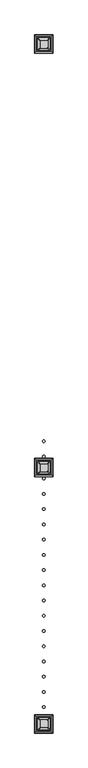
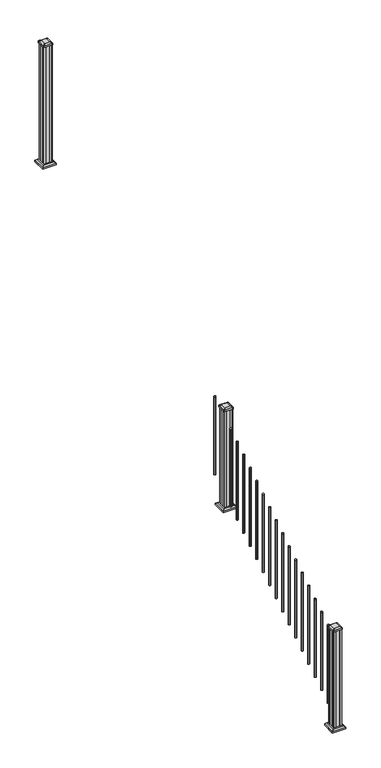
"""IFC4 building model written with IfcOpenShell, lengths in millimetres: railing geometry."""

from ifc_helpers import new_model, si_unit, point, frame, frame_2d, origin, place, context, project, spatial, polyline, circle_curve, trimmed, segment, composite_curve, outline, extrude, faceted_brep, source, transform, mapped, element, save
from ifc_brep_helpers import plane_surface, extruded_surface, advanced_brep


def railing_6e19abb1(model_context):
    return source(origin(), model_context, "Body", "SolidModel", [
        extrude(outline(composite_curve([segment(trimmed(circle_curve(frame_2d((7013.3942659, -14792.9319681)), 9.525), [point((7003.8692659, -14792.9319681))], [point((7013.3942659, -14783.4069681))], False, "CARTESIAN"), True, "CONTINUOUS"), segment(trimmed(circle_curve(frame_2d((7013.3942659, -14792.9319681)), 9.525), [point((7013.3942659, -14783.4069681))], [point((7022.9192659, -14792.9319681))], False, "CARTESIAN"), True, "CONTINUOUS"), segment(trimmed(circle_curve(frame_2d((7013.3942659, -14792.9319681)), 9.525), [point((7022.9192659, -14792.9319681))], [point((7013.3942659, -14802.4569681))], False, "CARTESIAN"), True, "CONTINUOUS"), segment(trimmed(circle_curve(frame_2d((7013.3942659, -14792.9319681)), 9.525), [point((7013.3942659, -14802.4569681))], [point((7003.8692659, -14792.9319681))], False, "CARTESIAN"), True, "CONTINUOUS")], self_intersect=False)), frame((0.0, 0.0, 1555.1505656), z_axis=(0.0, 0.0, 1.0), x_axis=(1.0, 0.0, 0.0)), (0.0, 0.0, 1.0), 812.8041219),
        extrude(outline(composite_curve([segment(trimmed(circle_curve(frame_2d((7013.3942659, -14904.0569681)), 9.525), [point((7003.8692659, -14904.0569681))], [point((7013.3942659, -14894.5319681))], False, "CARTESIAN"), True, "CONTINUOUS"), segment(trimmed(circle_curve(frame_2d((7013.3942659, -14904.0569681)), 9.525), [point((7013.3942659, -14894.5319681))], [point((7022.9192659, -14904.0569681))], False, "CARTESIAN"), True, "CONTINUOUS"), segment(trimmed(circle_curve(frame_2d((7013.3942659, -14904.0569681)), 9.525), [point((7022.9192659, -14904.0569681))], [point((7013.3942659, -14913.5819681))], False, "CARTESIAN"), True, "CONTINUOUS"), segment(trimmed(circle_curve(frame_2d((7013.3942659, -14904.0569681)), 9.525), [point((7013.3942659, -14913.5819681))], [point((7003.8692659, -14904.0569681))], False, "CARTESIAN"), True, "CONTINUOUS")], self_intersect=False)), frame((0.0, 0.0, 1485.6974406), z_axis=(0.0, 0.0, 1.0), x_axis=(1.0, 0.0, 0.0)), (0.0, 0.0, 1.0), 812.8041219),
        faceted_brep([(6960.8083284, -15037.6054056, 1362.075), (7065.9802034, -15037.6054056, 1362.075), (7065.9802034, -14932.4335306, 1362.075), (6960.8083284, -14932.4335306, 1362.075), (6946.7688753, -15051.6448587, 1348.74), (6946.7688753, -14918.3940775, 1348.74), (7080.0196565, -14918.3940775, 1348.74), (7080.0196565, -15051.6448587, 1348.74)], [[[0, 1, 2, 3]], [[4, 5, 6, 7]], [[4, 7, 1, 0]], [[7, 6, 2, 1]], [[6, 5, 3, 2]], [[5, 4, 0, 3]]]),
        extrude(outline(polyline([(6946.7688753, -15051.6448587), (6946.7688753, -14918.3940775), (7080.0196565, -14918.3940775), (7080.0196565, -15051.6448587), (6946.7688753, -15051.6448587)])), frame((0.0, 0.0, 1333.5), z_axis=(0.0, 0.0, 1.0), x_axis=(1.0, 0.0, 0.0)), (0.0, 0.0, 1.0), 15.24),
        advanced_brep(
        [(7039.1911409, -15013.9913431, 2393.439263), (7042.3661409, -15010.8163431, 2393.439263), (7042.3661409, -14959.2225931, 2393.439263), (7039.1911409, -14956.0475931, 2393.439263), (6987.5973909, -14956.0475931, 2393.439263), (6984.4223909, -14959.2225931, 2393.439263), (6984.4223909, -15010.8163431, 2393.439263), (6987.5973909, -15013.9913431, 2393.439263), (7055.4630159, -15030.2632181, 2382.136263), (6971.3255159, -15030.2632181, 2382.136263), (6968.1505159, -15027.0882181, 2382.136263), (6968.1505159, -14942.9507181, 2382.136263), (6971.3255159, -14939.7757181, 2382.136263), (7055.4630159, -14939.7757181, 2382.136263), (7058.6380159, -14942.9507181, 2382.136263), (7058.6380159, -15027.0882181, 2382.136263)],
        [
            (0, 1, circle_curve(frame((7039.1911409, -15010.8163431, 2393.439263), z_axis=(0.0, 0.0, 1.0), x_axis=(0.0, 1.0, 0.0)), 3.175)),
            (1, 2),
            (2, 3, circle_curve(frame((7039.1911409, -14959.2225931, 2393.439263), z_axis=(0.0, 0.0, 1.0), x_axis=(0.0, 1.0, 0.0)), 3.175)),
            (3, 4),
            (4, 5, circle_curve(frame((6987.5973909, -14959.2225931, 2393.439263), z_axis=(0.0, 0.0, 1.0), x_axis=(0.0, 1.0, 0.0)), 3.175)),
            (5, 6),
            (6, 7, circle_curve(frame((6987.5973909, -15010.8163431, 2393.439263), z_axis=(0.0, 0.0, 1.0), x_axis=(0.0, 1.0, 0.0)), 3.175)),
            (7, 0),
            (8, 9),
            (9, 10, circle_curve(frame((6971.3255159, -15027.0882181, 2382.136263), z_axis=(0.0, 0.0, -1.0), x_axis=(0.0, 1.0, 0.0)), 3.175)),
            (10, 11),
            (11, 12, circle_curve(frame((6971.3255159, -14942.9507181, 2382.136263), z_axis=(0.0, 0.0, -1.0), x_axis=(0.0, 1.0, 0.0)), 3.175)),
            (12, 13),
            (13, 14, circle_curve(frame((7055.4630159, -14942.9507181, 2382.136263), z_axis=(0.0, 0.0, -1.0), x_axis=(0.0, 1.0, 0.0)), 3.175)),
            (14, 15),
            (15, 8, circle_curve(frame((7055.4630159, -15027.0882181, 2382.136263), z_axis=(0.0, 0.0, -1.0), x_axis=(0.0, 1.0, 0.0)), 3.175)),
            (15, 1),
            (0, 8),
            (14, 2),
            (13, 3),
            (12, 4),
            (11, 5),
            (10, 6),
            (9, 7),
        ],
        [
            plane_surface(frame((7013.3942659, -14985.0194681, 2393.439263), z_axis=(0.0, 0.0, 1.0), x_axis=(1.0, 0.0, 0.0))),
            plane_surface(frame((7013.3942659, -14985.0194681, 2382.136263), z_axis=(0.0, 0.0, -1.0), x_axis=(1.0, 0.0, 0.0))),
            extruded_surface(trimmed(circle_curve(frame((7055.4630159, -15027.0882181, 2382.136263), z_axis=(0.0, 0.0, 1.0), x_axis=(0.0, 1.0, 0.0)), 3.175), [point((7055.4630159, -15030.2632181, 2382.136263))], [point((7058.6380159, -15027.0882181, 2382.136263))], True, "CARTESIAN"), (-16.271874999999454, 16.271875000000364, 11.303000000000338), 25.6379726388662),
            plane_surface(frame((7058.6380159, -14985.0194681, 2382.136263), z_axis=(0.5705009161540778, 0.0, 0.8212969649690408), x_axis=(0.0, 1.0, 0.0))),
            extruded_surface(trimmed(circle_curve(frame((7055.4630159, -14942.9507181, 2382.136263), z_axis=(0.0, 0.0, 1.0), x_axis=(0.0, 1.0, 0.0)), 3.175), [point((7058.6380159, -14942.9507181, 2382.136263))], [point((7055.4630159, -14939.7757181, 2382.136263))], True, "CARTESIAN"), (-16.271874999999454, -16.271874999998545, 11.303000000000338), 25.63797263886504),
            plane_surface(frame((7013.3942659, -14939.7757181, 2382.136263), z_axis=(0.0, 0.5705009161540291, 0.8212969649690747), x_axis=(-1.0, 0.0, 0.0))),
            extruded_surface(trimmed(circle_curve(frame((6971.3255159, -14942.9507181, 2382.136263), z_axis=(0.0, 0.0, 1.0), x_axis=(0.0, 1.0, 0.0)), 3.175), [point((6971.3255159, -14939.7757181, 2382.136263))], [point((6968.1505159, -14942.9507181, 2382.136263))], True, "CARTESIAN"), (16.271875000000364, -16.271874999998545, 11.303000000000338), 25.63797263886562),
            plane_surface(frame((6968.1505159, -14985.0194681, 2382.136263), z_axis=(-0.5705009161540142, 0.0, 0.8212969649690851), x_axis=(0.0, -1.0, 0.0))),
            extruded_surface(trimmed(circle_curve(frame((6971.3255159, -15027.0882181, 2382.136263), z_axis=(0.0, 0.0, 1.0), x_axis=(0.0, 1.0, 0.0)), 3.175), [point((6968.1505159, -15027.0882181, 2382.136263))], [point((6971.3255159, -15030.2632181, 2382.136263))], True, "CARTESIAN"), (16.271875000000364, 16.271875000000364, 11.303000000000338), 25.637972638866774),
            plane_surface(frame((7013.3942659, -15030.2632181, 2382.136263), z_axis=(0.0, -0.570500916154034, 0.8212969649690713), x_axis=(1.0, 0.0, 0.0))),
        ],
        [
            (0, [[1, 2, 3, 4, 5, 6, 7, 8]]),
            (1, [[9, 10, 11, 12, 13, 14, 15, 16]]),
            (2, [[-16, 17, -1, 18]]),
            (3, [[-15, 19, -2, -17]]),
            (4, [[-14, 20, -3, -19]]),
            (5, [[-13, 21, -4, -20]]),
            (6, [[-12, 22, -5, -21]]),
            (7, [[-11, 23, -6, -22]]),
            (8, [[-10, 24, -7, -23]]),
            (9, [[-9, -18, -8, -24]]),
        ],
    ),
        extrude(outline(composite_curve([segment(polyline([(7055.4630159, -15030.2632181), (6971.3255159, -15030.2632181)]), True, "CONTINUOUS"), segment(trimmed(circle_curve(frame_2d((6971.3255159, -15027.0882181)), 3.175), [point((6971.3255159, -15030.2632181))], [point((6968.1505159, -15027.0882181))], False, "CARTESIAN"), True, "CONTINUOUS"), segment(polyline([(6968.1505159, -15027.0882181), (6968.1505159, -14942.9507181)]), True, "CONTINUOUS"), segment(trimmed(circle_curve(frame_2d((6971.3255159, -14942.9507181)), 3.175), [point((6968.1505159, -14942.9507181))], [point((6971.3255159, -14939.7757181))], False, "CARTESIAN"), True, "CONTINUOUS"), segment(polyline([(6971.3255159, -14939.7757181), (7055.4630159, -14939.7757181)]), True, "CONTINUOUS"), segment(trimmed(circle_curve(frame_2d((7055.4630159, -14942.9507181)), 3.175), [point((7055.4630159, -14939.7757181))], [point((7058.6380159, -14942.9507181))], False, "CARTESIAN"), True, "CONTINUOUS"), segment(polyline([(7058.6380159, -14942.9507181), (7058.6380159, -15027.0882181)]), True, "CONTINUOUS"), segment(trimmed(circle_curve(frame_2d((7055.4630159, -15027.0882181)), 3.175), [point((7058.6380159, -15027.0882181))], [point((7055.4630159, -15030.2632181))], False, "CARTESIAN"), True, "CONTINUOUS")], self_intersect=False)), frame((0.0, 0.0, 2364.864263), z_axis=(0.0, 0.0, 1.0), x_axis=(1.0, 0.0, 0.0)), (0.0, 0.0, 1.0), 17.272),
        extrude(outline(polyline([(7053.0817659, -15026.2944681), (7033.4602659, -15026.2944681), (7032.6982659, -15024.7069681), (6994.0902659, -15024.7069681), (6993.3282659, -15026.2944681), (6973.7067659, -15026.2944681), (6972.1192659, -15024.7069681), (6972.1192659, -15005.0854681), (6973.7067659, -15004.3234681), (6973.7067659, -14965.7154681), (6972.1192659, -14964.9534681), (6972.1192659, -14945.3319681), (6973.7067659, -14943.7444681), (6993.3282659, -14943.7444681), (6994.0902659, -14945.3319681), (7032.6982659, -14945.3319681), (7033.4602659, -14943.7444681), (7053.0817659, -14943.7444681), (7054.6692659, -14945.3319681), (7054.6692659, -14964.9534681), (7053.0817659, -14965.7154681), (7053.0817659, -15004.3234681), (7054.6692659, -15005.0854681), (7054.6692659, -15024.7069681), (7053.0817659, -15026.2944681)])), frame((0.0, 0.0, 1333.5), z_axis=(0.0, 0.0, 1.0), x_axis=(1.0, 0.0, 0.0)), (0.0, 0.0, 1.0), 1031.364263),
        extrude(outline(composite_curve([segment(trimmed(circle_curve(frame_2d((7013.3942659, -15065.9819681)), 9.525), [point((7003.8692659, -15065.9819681))], [point((7013.3942659, -15056.4569681))], False, "CARTESIAN"), True, "CONTINUOUS"), segment(trimmed(circle_curve(frame_2d((7013.3942659, -15065.9819681)), 9.525), [point((7013.3942659, -15056.4569681))], [point((7022.9192659, -15065.9819681))], False, "CARTESIAN"), True, "CONTINUOUS"), segment(trimmed(circle_curve(frame_2d((7013.3942659, -15065.9819681)), 9.525), [point((7022.9192659, -15065.9819681))], [point((7013.3942659, -15075.5069681))], False, "CARTESIAN"), True, "CONTINUOUS"), segment(trimmed(circle_curve(frame_2d((7013.3942659, -15065.9819681)), 9.525), [point((7013.3942659, -15075.5069681))], [point((7003.8692659, -15065.9819681))], False, "CARTESIAN"), True, "CONTINUOUS")], self_intersect=False)), frame((0.0, 0.0, 1384.4943156), z_axis=(0.0, 0.0, 1.0), x_axis=(1.0, 0.0, 0.0)), (0.0, 0.0, 1.0), 812.8041219),
        extrude(outline(composite_curve([segment(trimmed(circle_curve(frame_2d((7013.3942659, -15177.1069681)), 9.525), [point((7003.8692659, -15177.1069681))], [point((7013.3942659, -15167.5819681))], False, "CARTESIAN"), True, "CONTINUOUS"), segment(trimmed(circle_curve(frame_2d((7013.3942659, -15177.1069681)), 9.525), [point((7013.3942659, -15167.5819681))], [point((7022.9192659, -15177.1069681))], False, "CARTESIAN"), True, "CONTINUOUS"), segment(trimmed(circle_curve(frame_2d((7013.3942659, -15177.1069681)), 9.525), [point((7022.9192659, -15177.1069681))], [point((7013.3942659, -15186.6319681))], False, "CARTESIAN"), True, "CONTINUOUS"), segment(trimmed(circle_curve(frame_2d((7013.3942659, -15177.1069681)), 9.525), [point((7013.3942659, -15186.6319681))], [point((7003.8692659, -15177.1069681))], False, "CARTESIAN"), True, "CONTINUOUS")], self_intersect=False)), frame((0.0, 0.0, 1315.0411906), z_axis=(0.0, 0.0, 1.0), x_axis=(1.0, 0.0, 0.0)), (0.0, 0.0, 1.0), 812.8041219),
        extrude(outline(composite_curve([segment(trimmed(circle_curve(frame_2d((7013.3942659, -15288.2319681)), 9.525), [point((7003.8692659, -15288.2319681))], [point((7013.3942659, -15278.7069681))], False, "CARTESIAN"), True, "CONTINUOUS"), segment(trimmed(circle_curve(frame_2d((7013.3942659, -15288.2319681)), 9.525), [point((7013.3942659, -15278.7069681))], [point((7022.9192659, -15288.2319681))], False, "CARTESIAN"), True, "CONTINUOUS"), segment(trimmed(circle_curve(frame_2d((7013.3942659, -15288.2319681)), 9.525), [point((7022.9192659, -15288.2319681))], [point((7013.3942659, -15297.7569681))], False, "CARTESIAN"), True, "CONTINUOUS"), segment(trimmed(circle_curve(frame_2d((7013.3942659, -15288.2319681)), 9.525), [point((7013.3942659, -15297.7569681))], [point((7003.8692659, -15288.2319681))], False, "CARTESIAN"), True, "CONTINUOUS")], self_intersect=False)), frame((0.0, 0.0, 1245.5880656), z_axis=(0.0, 0.0, 1.0), x_axis=(1.0, 0.0, 0.0)), (0.0, 0.0, 1.0), 812.8041219),
        extrude(outline(composite_curve([segment(trimmed(circle_curve(frame_2d((7013.3942659, -15399.3569681)), 9.525), [point((7003.8692659, -15399.3569681))], [point((7013.3942659, -15389.8319681))], False, "CARTESIAN"), True, "CONTINUOUS"), segment(trimmed(circle_curve(frame_2d((7013.3942659, -15399.3569681)), 9.525), [point((7013.3942659, -15389.8319681))], [point((7022.9192659, -15399.3569681))], False, "CARTESIAN"), True, "CONTINUOUS"), segment(trimmed(circle_curve(frame_2d((7013.3942659, -15399.3569681)), 9.525), [point((7022.9192659, -15399.3569681))], [point((7013.3942659, -15408.8819681))], False, "CARTESIAN"), True, "CONTINUOUS"), segment(trimmed(circle_curve(frame_2d((7013.3942659, -15399.3569681)), 9.525), [point((7013.3942659, -15408.8819681))], [point((7003.8692659, -15399.3569681))], False, "CARTESIAN"), True, "CONTINUOUS")], self_intersect=False)), frame((0.0, 0.0, 1176.1349406), z_axis=(0.0, 0.0, 1.0), x_axis=(1.0, 0.0, 0.0)), (0.0, 0.0, 1.0), 812.8041219),
        extrude(outline(composite_curve([segment(trimmed(circle_curve(frame_2d((7013.3942659, -15510.4819681)), 9.525), [point((7003.8692659, -15510.4819681))], [point((7013.3942659, -15500.9569681))], False, "CARTESIAN"), True, "CONTINUOUS"), segment(trimmed(circle_curve(frame_2d((7013.3942659, -15510.4819681)), 9.525), [point((7013.3942659, -15500.9569681))], [point((7022.9192659, -15510.4819681))], False, "CARTESIAN"), True, "CONTINUOUS"), segment(trimmed(circle_curve(frame_2d((7013.3942659, -15510.4819681)), 9.525), [point((7022.9192659, -15510.4819681))], [point((7013.3942659, -15520.0069681))], False, "CARTESIAN"), True, "CONTINUOUS"), segment(trimmed(circle_curve(frame_2d((7013.3942659, -15510.4819681)), 9.525), [point((7013.3942659, -15520.0069681))], [point((7003.8692659, -15510.4819681))], False, "CARTESIAN"), True, "CONTINUOUS")], self_intersect=False)), frame((0.0, 0.0, 1106.6818156), z_axis=(0.0, 0.0, 1.0), x_axis=(1.0, 0.0, 0.0)), (0.0, 0.0, 1.0), 812.8041219),
        extrude(outline(composite_curve([segment(trimmed(circle_curve(frame_2d((7013.3942659, -15621.6069681)), 9.525), [point((7003.8692659, -15621.6069681))], [point((7013.3942659, -15612.0819681))], False, "CARTESIAN"), True, "CONTINUOUS"), segment(trimmed(circle_curve(frame_2d((7013.3942659, -15621.6069681)), 9.525), [point((7013.3942659, -15612.0819681))], [point((7022.9192659, -15621.6069681))], False, "CARTESIAN"), True, "CONTINUOUS"), segment(trimmed(circle_curve(frame_2d((7013.3942659, -15621.6069681)), 9.525), [point((7022.9192659, -15621.6069681))], [point((7013.3942659, -15631.1319681))], False, "CARTESIAN"), True, "CONTINUOUS"), segment(trimmed(circle_curve(frame_2d((7013.3942659, -15621.6069681)), 9.525), [point((7013.3942659, -15631.1319681))], [point((7003.8692659, -15621.6069681))], False, "CARTESIAN"), True, "CONTINUOUS")], self_intersect=False)), frame((0.0, 0.0, 1037.2286906), z_axis=(0.0, 0.0, 1.0), x_axis=(1.0, 0.0, 0.0)), (0.0, 0.0, 1.0), 812.8041219),
        extrude(outline(composite_curve([segment(trimmed(circle_curve(frame_2d((7013.3942659, -15732.7319681)), 9.525), [point((7003.8692659, -15732.7319681))], [point((7013.3942659, -15723.2069681))], False, "CARTESIAN"), True, "CONTINUOUS"), segment(trimmed(circle_curve(frame_2d((7013.3942659, -15732.7319681)), 9.525), [point((7013.3942659, -15723.2069681))], [point((7022.9192659, -15732.7319681))], False, "CARTESIAN"), True, "CONTINUOUS"), segment(trimmed(circle_curve(frame_2d((7013.3942659, -15732.7319681)), 9.525), [point((7022.9192659, -15732.7319681))], [point((7013.3942659, -15742.2569681))], False, "CARTESIAN"), True, "CONTINUOUS"), segment(trimmed(circle_curve(frame_2d((7013.3942659, -15732.7319681)), 9.525), [point((7013.3942659, -15742.2569681))], [point((7003.8692659, -15732.7319681))], False, "CARTESIAN"), True, "CONTINUOUS")], self_intersect=False)), frame((0.0, 0.0, 967.7755656), z_axis=(0.0, 0.0, 1.0), x_axis=(1.0, 0.0, 0.0)), (0.0, 0.0, 1.0), 812.8041219),
        extrude(outline(composite_curve([segment(trimmed(circle_curve(frame_2d((7013.3942659, -15843.8569681)), 9.525), [point((7003.8692659, -15843.8569681))], [point((7013.3942659, -15834.3319681))], False, "CARTESIAN"), True, "CONTINUOUS"), segment(trimmed(circle_curve(frame_2d((7013.3942659, -15843.8569681)), 9.525), [point((7013.3942659, -15834.3319681))], [point((7022.9192659, -15843.8569681))], False, "CARTESIAN"), True, "CONTINUOUS"), segment(trimmed(circle_curve(frame_2d((7013.3942659, -15843.8569681)), 9.525), [point((7022.9192659, -15843.8569681))], [point((7013.3942659, -15853.3819681))], False, "CARTESIAN"), True, "CONTINUOUS"), segment(trimmed(circle_curve(frame_2d((7013.3942659, -15843.8569681)), 9.525), [point((7013.3942659, -15853.3819681))], [point((7003.8692659, -15843.8569681))], False, "CARTESIAN"), True, "CONTINUOUS")], self_intersect=False)), frame((0.0, 0.0, 898.3224406), z_axis=(0.0, 0.0, 1.0), x_axis=(1.0, 0.0, 0.0)), (0.0, 0.0, 1.0), 812.8041219),
        extrude(outline(composite_curve([segment(trimmed(circle_curve(frame_2d((7013.3942659, -15954.9819681)), 9.525), [point((7003.8692659, -15954.9819681))], [point((7013.3942659, -15945.4569681))], False, "CARTESIAN"), True, "CONTINUOUS"), segment(trimmed(circle_curve(frame_2d((7013.3942659, -15954.9819681)), 9.525), [point((7013.3942659, -15945.4569681))], [point((7022.9192659, -15954.9819681))], False, "CARTESIAN"), True, "CONTINUOUS"), segment(trimmed(circle_curve(frame_2d((7013.3942659, -15954.9819681)), 9.525), [point((7022.9192659, -15954.9819681))], [point((7013.3942659, -15964.5069681))], False, "CARTESIAN"), True, "CONTINUOUS"), segment(trimmed(circle_curve(frame_2d((7013.3942659, -15954.9819681)), 9.525), [point((7013.3942659, -15964.5069681))], [point((7003.8692659, -15954.9819681))], False, "CARTESIAN"), True, "CONTINUOUS")], self_intersect=False)), frame((0.0, 0.0, 828.8693156), z_axis=(0.0, 0.0, 1.0), x_axis=(1.0, 0.0, 0.0)), (0.0, 0.0, 1.0), 812.8041219),
        extrude(outline(composite_curve([segment(trimmed(circle_curve(frame_2d((7013.3942659, -16066.1069681)), 9.525), [point((7003.8692659, -16066.1069681))], [point((7013.3942659, -16056.5819681))], False, "CARTESIAN"), True, "CONTINUOUS"), segment(trimmed(circle_curve(frame_2d((7013.3942659, -16066.1069681)), 9.525), [point((7013.3942659, -16056.5819681))], [point((7022.9192659, -16066.1069681))], False, "CARTESIAN"), True, "CONTINUOUS"), segment(trimmed(circle_curve(frame_2d((7013.3942659, -16066.1069681)), 9.525), [point((7022.9192659, -16066.1069681))], [point((7013.3942659, -16075.6319681))], False, "CARTESIAN"), True, "CONTINUOUS"), segment(trimmed(circle_curve(frame_2d((7013.3942659, -16066.1069681)), 9.525), [point((7013.3942659, -16075.6319681))], [point((7003.8692659, -16066.1069681))], False, "CARTESIAN"), True, "CONTINUOUS")], self_intersect=False)), frame((0.0, 0.0, 759.4161906), z_axis=(0.0, 0.0, 1.0), x_axis=(1.0, 0.0, 0.0)), (0.0, 0.0, 1.0), 812.8041219),
        extrude(outline(composite_curve([segment(trimmed(circle_curve(frame_2d((7013.3942659, -16177.2319681)), 9.525), [point((7003.8692659, -16177.2319681))], [point((7013.3942659, -16167.7069681))], False, "CARTESIAN"), True, "CONTINUOUS"), segment(trimmed(circle_curve(frame_2d((7013.3942659, -16177.2319681)), 9.525), [point((7013.3942659, -16167.7069681))], [point((7022.9192659, -16177.2319681))], False, "CARTESIAN"), True, "CONTINUOUS"), segment(trimmed(circle_curve(frame_2d((7013.3942659, -16177.2319681)), 9.525), [point((7022.9192659, -16177.2319681))], [point((7013.3942659, -16186.7569681))], False, "CARTESIAN"), True, "CONTINUOUS"), segment(trimmed(circle_curve(frame_2d((7013.3942659, -16177.2319681)), 9.525), [point((7013.3942659, -16186.7569681))], [point((7003.8692659, -16177.2319681))], False, "CARTESIAN"), True, "CONTINUOUS")], self_intersect=False)), frame((0.0, 0.0, 689.9630656), z_axis=(0.0, 0.0, 1.0), x_axis=(1.0, 0.0, 0.0)), (0.0, 0.0, 1.0), 812.8041219),
        extrude(outline(composite_curve([segment(trimmed(circle_curve(frame_2d((7013.3942659, -16288.3569681)), 9.525), [point((7003.8692659, -16288.3569681))], [point((7013.3942659, -16278.8319681))], False, "CARTESIAN"), True, "CONTINUOUS"), segment(trimmed(circle_curve(frame_2d((7013.3942659, -16288.3569681)), 9.525), [point((7013.3942659, -16278.8319681))], [point((7022.9192659, -16288.3569681))], False, "CARTESIAN"), True, "CONTINUOUS"), segment(trimmed(circle_curve(frame_2d((7013.3942659, -16288.3569681)), 9.525), [point((7022.9192659, -16288.3569681))], [point((7013.3942659, -16297.8819681))], False, "CARTESIAN"), True, "CONTINUOUS"), segment(trimmed(circle_curve(frame_2d((7013.3942659, -16288.3569681)), 9.525), [point((7013.3942659, -16297.8819681))], [point((7003.8692659, -16288.3569681))], False, "CARTESIAN"), True, "CONTINUOUS")], self_intersect=False)), frame((0.0, 0.0, 620.5099406), z_axis=(0.0, 0.0, 1.0), x_axis=(1.0, 0.0, 0.0)), (0.0, 0.0, 1.0), 812.8041219),
        extrude(outline(composite_curve([segment(trimmed(circle_curve(frame_2d((7013.3942659, -16399.4819681)), 9.525), [point((7003.8692659, -16399.4819681))], [point((7013.3942659, -16389.9569681))], False, "CARTESIAN"), True, "CONTINUOUS"), segment(trimmed(circle_curve(frame_2d((7013.3942659, -16399.4819681)), 9.525), [point((7013.3942659, -16389.9569681))], [point((7022.9192659, -16399.4819681))], False, "CARTESIAN"), True, "CONTINUOUS"), segment(trimmed(circle_curve(frame_2d((7013.3942659, -16399.4819681)), 9.525), [point((7022.9192659, -16399.4819681))], [point((7013.3942659, -16409.0069681))], False, "CARTESIAN"), True, "CONTINUOUS"), segment(trimmed(circle_curve(frame_2d((7013.3942659, -16399.4819681)), 9.525), [point((7013.3942659, -16409.0069681))], [point((7003.8692659, -16399.4819681))], False, "CARTESIAN"), True, "CONTINUOUS")], self_intersect=False)), frame((0.0, 0.0, 551.0568156), z_axis=(0.0, 0.0, 1.0), x_axis=(1.0, 0.0, 0.0)), (0.0, 0.0, 1.0), 812.8041219),
        extrude(outline(composite_curve([segment(trimmed(circle_curve(frame_2d((7013.3942659, -16510.6069681)), 9.525), [point((7003.8692659, -16510.6069681))], [point((7013.3942659, -16501.0819681))], False, "CARTESIAN"), True, "CONTINUOUS"), segment(trimmed(circle_curve(frame_2d((7013.3942659, -16510.6069681)), 9.525), [point((7013.3942659, -16501.0819681))], [point((7022.9192659, -16510.6069681))], False, "CARTESIAN"), True, "CONTINUOUS"), segment(trimmed(circle_curve(frame_2d((7013.3942659, -16510.6069681)), 9.525), [point((7022.9192659, -16510.6069681))], [point((7013.3942659, -16520.1319681))], False, "CARTESIAN"), True, "CONTINUOUS"), segment(trimmed(circle_curve(frame_2d((7013.3942659, -16510.6069681)), 9.525), [point((7013.3942659, -16520.1319681))], [point((7003.8692659, -16510.6069681))], False, "CARTESIAN"), True, "CONTINUOUS")], self_intersect=False)), frame((0.0, 0.0, 481.6036906), z_axis=(0.0, 0.0, 1.0), x_axis=(1.0, 0.0, 0.0)), (0.0, 0.0, 1.0), 812.8041219),
        extrude(outline(composite_curve([segment(trimmed(circle_curve(frame_2d((7013.3942659, -16621.7319681)), 9.525), [point((7003.8692659, -16621.7319681))], [point((7013.3942659, -16612.2069681))], False, "CARTESIAN"), True, "CONTINUOUS"), segment(trimmed(circle_curve(frame_2d((7013.3942659, -16621.7319681)), 9.525), [point((7013.3942659, -16612.2069681))], [point((7022.9192659, -16621.7319681))], False, "CARTESIAN"), True, "CONTINUOUS"), segment(trimmed(circle_curve(frame_2d((7013.3942659, -16621.7319681)), 9.525), [point((7022.9192659, -16621.7319681))], [point((7013.3942659, -16631.2569681))], False, "CARTESIAN"), True, "CONTINUOUS"), segment(trimmed(circle_curve(frame_2d((7013.3942659, -16621.7319681)), 9.525), [point((7013.3942659, -16631.2569681))], [point((7003.8692659, -16621.7319681))], False, "CARTESIAN"), True, "CONTINUOUS")], self_intersect=False)), frame((0.0, 0.0, 412.1505656), z_axis=(0.0, 0.0, 1.0), x_axis=(1.0, 0.0, 0.0)), (0.0, 0.0, 1.0), 812.8041219),
        extrude(outline(composite_curve([segment(trimmed(circle_curve(frame_2d((7013.3942659, -16732.8569681)), 9.525), [point((7003.8692659, -16732.8569681))], [point((7013.3942659, -16723.3319681))], False, "CARTESIAN"), True, "CONTINUOUS"), segment(trimmed(circle_curve(frame_2d((7013.3942659, -16732.8569681)), 9.525), [point((7013.3942659, -16723.3319681))], [point((7022.9192659, -16732.8569681))], False, "CARTESIAN"), True, "CONTINUOUS"), segment(trimmed(circle_curve(frame_2d((7013.3942659, -16732.8569681)), 9.525), [point((7022.9192659, -16732.8569681))], [point((7013.3942659, -16742.3819681))], False, "CARTESIAN"), True, "CONTINUOUS"), segment(trimmed(circle_curve(frame_2d((7013.3942659, -16732.8569681)), 9.525), [point((7013.3942659, -16742.3819681))], [point((7003.8692659, -16732.8569681))], False, "CARTESIAN"), True, "CONTINUOUS")], self_intersect=False)), frame((0.0, 0.0, 342.6974406), z_axis=(0.0, 0.0, 1.0), x_axis=(1.0, 0.0, 0.0)), (0.0, 0.0, 1.0), 812.8041219),
        extrude(outline(polyline([(7053.0817659, -11937.0194681), (7033.4602659, -11937.0194681), (7032.6982659, -11935.4319681), (6994.0902659, -11935.4319681), (6993.3282659, -11937.0194681), (6973.7067659, -11937.0194681), (6972.1192659, -11935.4319681), (6972.1192659, -11915.8104681), (6973.7067659, -11915.0484681), (6973.7067659, -11876.4404681), (6972.1192659, -11875.6784681), (6972.1192659, -11856.0569681), (6973.7067659, -11854.4694681), (6993.3282659, -11854.4694681), (6994.0902659, -11856.0569681), (7032.6982659, -11856.0569681), (7033.4602659, -11854.4694681), (7053.0817659, -11854.4694681), (7054.6692659, -11856.0569681), (7054.6692659, -11875.6784681), (7053.0817659, -11876.4404681), (7053.0817659, -11915.0484681), (7054.6692659, -11915.8104681), (7054.6692659, -11935.4319681), (7053.0817659, -11937.0194681)])), frame((0.0, 0.0, 3048.0), z_axis=(0.0, 0.0, 1.0), x_axis=(1.0, 0.0, 0.0)), (0.0, 0.0, 1.0), 1247.661138),
        faceted_brep([(6960.8083284, -11948.3304056, 3076.575), (7065.9802034, -11948.3304056, 3076.575), (7065.9802034, -11843.1585306, 3076.575), (6960.8083284, -11843.1585306, 3076.575), (6946.7688753, -11962.3698587, 3063.24), (6946.7688753, -11829.1190775, 3063.24), (7080.0196565, -11829.1190775, 3063.24), (7080.0196565, -11962.3698587, 3063.24)], [[[0, 1, 2, 3]], [[4, 5, 6, 7]], [[4, 7, 1, 0]], [[7, 6, 2, 1]], [[6, 5, 3, 2]], [[5, 4, 0, 3]]]),
        extrude(outline(polyline([(6946.7688753, -11962.3698587), (6946.7688753, -11829.1190775), (7080.0196565, -11829.1190775), (7080.0196565, -11962.3698587), (6946.7688753, -11962.3698587)])), frame((0.0, 0.0, 3048.0), z_axis=(0.0, 0.0, 1.0), x_axis=(1.0, 0.0, 0.0)), (0.0, 0.0, 1.0), 15.24),
        advanced_brep(
        [(7039.1911409, -11924.7163431, 4324.236138), (7042.3661409, -11921.5413431, 4324.236138), (7042.3661409, -11869.9475931, 4324.236138), (7039.1911409, -11866.7725931, 4324.236138), (6987.5973909, -11866.7725931, 4324.236138), (6984.4223909, -11869.9475931, 4324.236138), (6984.4223909, -11921.5413431, 4324.236138), (6987.5973909, -11924.7163431, 4324.236138), (7055.4630159, -11940.9882181, 4312.933138), (6971.3255159, -11940.9882181, 4312.933138), (6968.1505159, -11937.8132181, 4312.933138), (6968.1505159, -11853.6757181, 4312.933138), (6971.3255159, -11850.5007181, 4312.933138), (7055.4630159, -11850.5007181, 4312.933138), (7058.6380159, -11853.6757181, 4312.933138), (7058.6380159, -11937.8132181, 4312.933138)],
        [
            (0, 1, circle_curve(frame((7039.1911409, -11921.5413431, 4324.236138), z_axis=(0.0, 0.0, 1.0), x_axis=(0.0, 1.0, 0.0)), 3.175)),
            (1, 2),
            (2, 3, circle_curve(frame((7039.1911409, -11869.9475931, 4324.236138), z_axis=(0.0, 0.0, 1.0), x_axis=(0.0, 1.0, 0.0)), 3.175)),
            (3, 4),
            (4, 5, circle_curve(frame((6987.5973909, -11869.9475931, 4324.236138), z_axis=(0.0, 0.0, 1.0), x_axis=(0.0, 1.0, 0.0)), 3.175)),
            (5, 6),
            (6, 7, circle_curve(frame((6987.5973909, -11921.5413431, 4324.236138), z_axis=(0.0, 0.0, 1.0), x_axis=(0.0, 1.0, 0.0)), 3.175)),
            (7, 0),
            (8, 9),
            (9, 10, circle_curve(frame((6971.3255159, -11937.8132181, 4312.933138), z_axis=(0.0, 0.0, -1.0), x_axis=(0.0, 1.0, 0.0)), 3.175)),
            (10, 11),
            (11, 12, circle_curve(frame((6971.3255159, -11853.6757181, 4312.933138), z_axis=(0.0, 0.0, -1.0), x_axis=(0.0, 1.0, 0.0)), 3.175)),
            (12, 13),
            (13, 14, circle_curve(frame((7055.4630159, -11853.6757181, 4312.933138), z_axis=(0.0, 0.0, -1.0), x_axis=(0.0, 1.0, 0.0)), 3.175)),
            (14, 15),
            (15, 8, circle_curve(frame((7055.4630159, -11937.8132181, 4312.933138), z_axis=(0.0, 0.0, -1.0), x_axis=(0.0, 1.0, 0.0)), 3.175)),
            (15, 1),
            (0, 8),
            (14, 2),
            (13, 3),
            (12, 4),
            (11, 5),
            (10, 6),
            (9, 7),
        ],
        [
            plane_surface(frame((7013.3942659, -11895.7444681, 4324.236138), z_axis=(0.0, 0.0, 1.0), x_axis=(1.0, 0.0, 0.0))),
            plane_surface(frame((7013.3942659, -11895.7444681, 4312.933138), z_axis=(0.0, 0.0, -1.0), x_axis=(1.0, 0.0, 0.0))),
            extruded_surface(trimmed(circle_curve(frame((7055.4630159, -11937.8132181, 4312.933138), z_axis=(0.0, 0.0, 1.0), x_axis=(0.0, 1.0, 0.0)), 3.175), [point((7055.4630159, -11940.9882181, 4312.933138))], [point((7058.6380159, -11937.8132181, 4312.933138))], True, "CARTESIAN"), (-16.271874999999454, 16.271875000000364, 11.302999999999884), 25.637972638865996),
            plane_surface(frame((7058.6380159, -11895.7444681, 4312.933138), z_axis=(0.5705009161540687, 0.0, 0.8212969649690472), x_axis=(0.0, 1.0, 0.0))),
            extruded_surface(trimmed(circle_curve(frame((7055.4630159, -11853.6757181, 4312.933138), z_axis=(0.0, 0.0, 1.0), x_axis=(0.0, 1.0, 0.0)), 3.175), [point((7058.6380159, -11853.6757181, 4312.933138))], [point((7055.4630159, -11850.5007181, 4312.933138))], True, "CARTESIAN"), (-16.271874999999454, -16.271875000000364, 11.302999999999884), 25.637972638865996),
            plane_surface(frame((7013.3942659, -11850.5007181, 4312.933138), z_axis=(0.0, 0.5705009161540291, 0.8212969649690747), x_axis=(-1.0, 0.0, 0.0))),
            extruded_surface(trimmed(circle_curve(frame((6971.3255159, -11853.6757181, 4312.933138), z_axis=(0.0, 0.0, 1.0), x_axis=(0.0, 1.0, 0.0)), 3.175), [point((6971.3255159, -11850.5007181, 4312.933138))], [point((6968.1505159, -11853.6757181, 4312.933138))], True, "CARTESIAN"), (16.271875000000364, -16.271875000000364, 11.302999999999884), 25.63797263886657),
            plane_surface(frame((6968.1505159, -11895.7444681, 4312.933138), z_axis=(-0.5705009161540233, 0.0, 0.8212969649690787), x_axis=(0.0, -1.0, 0.0))),
            extruded_surface(trimmed(circle_curve(frame((6971.3255159, -11937.8132181, 4312.933138), z_axis=(0.0, 0.0, 1.0), x_axis=(0.0, 1.0, 0.0)), 3.175), [point((6968.1505159, -11937.8132181, 4312.933138))], [point((6971.3255159, -11940.9882181, 4312.933138))], True, "CARTESIAN"), (16.271875000000364, 16.271875000000364, 11.302999999999884), 25.63797263886657),
            plane_surface(frame((7013.3942659, -11940.9882181, 4312.933138), z_axis=(0.0, -0.570500916154034, 0.8212969649690713), x_axis=(1.0, 0.0, 0.0))),
        ],
        [
            (0, [[1, 2, 3, 4, 5, 6, 7, 8]]),
            (1, [[9, 10, 11, 12, 13, 14, 15, 16]]),
            (2, [[-16, 17, -1, 18]]),
            (3, [[-15, 19, -2, -17]]),
            (4, [[-14, 20, -3, -19]]),
            (5, [[-13, 21, -4, -20]]),
            (6, [[-12, 22, -5, -21]]),
            (7, [[-11, 23, -6, -22]]),
            (8, [[-10, 24, -7, -23]]),
            (9, [[-9, -18, -8, -24]]),
        ],
    ),
        extrude(outline(composite_curve([segment(polyline([(7055.4630159, -11940.9882181), (6971.3255159, -11940.9882181)]), True, "CONTINUOUS"), segment(trimmed(circle_curve(frame_2d((6971.3255159, -11937.8132181)), 3.175), [point((6971.3255159, -11940.9882181))], [point((6968.1505159, -11937.8132181))], False, "CARTESIAN"), True, "CONTINUOUS"), segment(polyline([(6968.1505159, -11937.8132181), (6968.1505159, -11853.6757181)]), True, "CONTINUOUS"), segment(trimmed(circle_curve(frame_2d((6971.3255159, -11853.6757181)), 3.175), [point((6968.1505159, -11853.6757181))], [point((6971.3255159, -11850.5007181))], False, "CARTESIAN"), True, "CONTINUOUS"), segment(polyline([(6971.3255159, -11850.5007181), (7055.4630159, -11850.5007181)]), True, "CONTINUOUS"), segment(trimmed(circle_curve(frame_2d((7055.4630159, -11853.6757181)), 3.175), [point((7055.4630159, -11850.5007181))], [point((7058.6380159, -11853.6757181))], False, "CARTESIAN"), True, "CONTINUOUS"), segment(polyline([(7058.6380159, -11853.6757181), (7058.6380159, -11937.8132181)]), True, "CONTINUOUS"), segment(trimmed(circle_curve(frame_2d((7055.4630159, -11937.8132181)), 3.175), [point((7058.6380159, -11937.8132181))], [point((7055.4630159, -11940.9882181))], False, "CARTESIAN"), True, "CONTINUOUS")], self_intersect=False)), frame((0.0, 0.0, 4295.661138), z_axis=(0.0, 0.0, 1.0), x_axis=(1.0, 0.0, 0.0)), (0.0, 0.0, 1.0), 17.272),
        faceted_brep([(6960.8083284, -16907.6804056, 193.278125), (7065.9802034, -16907.6804056, 193.278125), (7065.9802034, -16802.5085306, 193.278125), (6960.8083284, -16802.5085306, 193.278125), (6946.7688753, -16921.7198587, 179.943125), (6946.7688753, -16788.4690775, 179.943125), (7080.0196565, -16788.4690775, 179.943125), (7080.0196565, -16921.7198587, 179.943125)], [[[0, 1, 2, 3]], [[4, 5, 6, 7]], [[4, 7, 1, 0]], [[7, 6, 2, 1]], [[6, 5, 3, 2]], [[5, 4, 0, 3]]]),
        extrude(outline(polyline([(6946.7688753, -16921.7198587), (6946.7688753, -16788.4690775), (7080.0196565, -16788.4690775), (7080.0196565, -16921.7198587), (6946.7688753, -16921.7198587)])), frame((0.0, 0.0, 164.703125), z_axis=(0.0, 0.0, 1.0), x_axis=(1.0, 0.0, 0.0)), (0.0, 0.0, 1.0), 15.24),
        advanced_brep(
        [(7039.1911409, -16884.0663431, 1224.642388), (7042.3661409, -16880.8913431, 1224.642388), (7042.3661409, -16829.2975931, 1224.642388), (7039.1911409, -16826.1225931, 1224.642388), (6987.5973909, -16826.1225931, 1224.642388), (6984.4223909, -16829.2975931, 1224.642388), (6984.4223909, -16880.8913431, 1224.642388), (6987.5973909, -16884.0663431, 1224.642388), (7055.4630159, -16900.3382181, 1213.339388), (6971.3255159, -16900.3382181, 1213.339388), (6968.1505159, -16897.1632181, 1213.339388), (6968.1505159, -16813.0257181, 1213.339388), (6971.3255159, -16809.8507181, 1213.339388), (7055.4630159, -16809.8507181, 1213.339388), (7058.6380159, -16813.0257181, 1213.339388), (7058.6380159, -16897.1632181, 1213.339388)],
        [
            (0, 1, circle_curve(frame((7039.1911409, -16880.8913431, 1224.642388), z_axis=(0.0, 0.0, 1.0), x_axis=(0.0, 1.0, 0.0)), 3.175)),
            (1, 2),
            (2, 3, circle_curve(frame((7039.1911409, -16829.2975931, 1224.642388), z_axis=(0.0, 0.0, 1.0), x_axis=(0.0, 1.0, 0.0)), 3.175)),
            (3, 4),
            (4, 5, circle_curve(frame((6987.5973909, -16829.2975931, 1224.642388), z_axis=(0.0, 0.0, 1.0), x_axis=(0.0, 1.0, 0.0)), 3.175)),
            (5, 6),
            (6, 7, circle_curve(frame((6987.5973909, -16880.8913431, 1224.642388), z_axis=(0.0, 0.0, 1.0), x_axis=(0.0, 1.0, 0.0)), 3.175)),
            (7, 0),
            (8, 9),
            (9, 10, circle_curve(frame((6971.3255159, -16897.1632181, 1213.339388), z_axis=(0.0, 0.0, -1.0), x_axis=(0.0, 1.0, 0.0)), 3.175)),
            (10, 11),
            (11, 12, circle_curve(frame((6971.3255159, -16813.0257181, 1213.339388), z_axis=(0.0, 0.0, -1.0), x_axis=(0.0, 1.0, 0.0)), 3.175)),
            (12, 13),
            (13, 14, circle_curve(frame((7055.4630159, -16813.0257181, 1213.339388), z_axis=(0.0, 0.0, -1.0), x_axis=(0.0, 1.0, 0.0)), 3.175)),
            (14, 15),
            (15, 8, circle_curve(frame((7055.4630159, -16897.1632181, 1213.339388), z_axis=(0.0, 0.0, -1.0), x_axis=(0.0, 1.0, 0.0)), 3.175)),
            (15, 1),
            (0, 8),
            (14, 2),
            (13, 3),
            (12, 4),
            (11, 5),
            (10, 6),
            (9, 7),
        ],
        [
            plane_surface(frame((7013.3942659, -16855.0944681, 1224.642388), z_axis=(0.0, 0.0, 1.0), x_axis=(1.0, 0.0, 0.0))),
            plane_surface(frame((7013.3942659, -16855.0944681, 1213.339388), z_axis=(0.0, 0.0, -1.0), x_axis=(1.0, 0.0, 0.0))),
            extruded_surface(trimmed(circle_curve(frame((7055.4630159, -16897.1632181, 1213.339388), z_axis=(0.0, 0.0, 1.0), x_axis=(0.0, 1.0, 0.0)), 3.175), [point((7055.4630159, -16900.3382181, 1213.339388))], [point((7058.6380159, -16897.1632181, 1213.339388))], True, "CARTESIAN"), (-16.271874999999454, 16.271874999998545, 11.302999999999884), 25.63797263886484),
            plane_surface(frame((7058.6380159, -16855.0944681, 1213.339388), z_axis=(0.5705009161540778, 0.0, 0.8212969649690408), x_axis=(0.0, 1.0, 0.0))),
            extruded_surface(trimmed(circle_curve(frame((7055.4630159, -16813.0257181, 1213.339388), z_axis=(0.0, 0.0, 1.0), x_axis=(0.0, 1.0, 0.0)), 3.175), [point((7058.6380159, -16813.0257181, 1213.339388))], [point((7055.4630159, -16809.8507181, 1213.339388))], True, "CARTESIAN"), (-16.271874999999454, -16.271874999998545, 11.302999999999884), 25.63797263886484),
            plane_surface(frame((7013.3942659, -16809.8507181, 1213.339388), z_axis=(0.0, 0.5705009161540291, 0.8212969649690747), x_axis=(-1.0, 0.0, 0.0))),
            extruded_surface(trimmed(circle_curve(frame((6971.3255159, -16813.0257181, 1213.339388), z_axis=(0.0, 0.0, 1.0), x_axis=(0.0, 1.0, 0.0)), 3.175), [point((6971.3255159, -16809.8507181, 1213.339388))], [point((6968.1505159, -16813.0257181, 1213.339388))], True, "CARTESIAN"), (16.271875000000364, -16.271874999998545, 11.302999999999884), 25.63797263886542),
            plane_surface(frame((6968.1505159, -16855.0944681, 1213.339388), z_axis=(-0.5705009161540142, 0.0, 0.8212969649690851), x_axis=(0.0, -1.0, 0.0))),
            extruded_surface(trimmed(circle_curve(frame((6971.3255159, -16897.1632181, 1213.339388), z_axis=(0.0, 0.0, 1.0), x_axis=(0.0, 1.0, 0.0)), 3.175), [point((6968.1505159, -16897.1632181, 1213.339388))], [point((6971.3255159, -16900.3382181, 1213.339388))], True, "CARTESIAN"), (16.271875000000364, 16.271874999998545, 11.302999999999884), 25.63797263886542),
            plane_surface(frame((7013.3942659, -16900.3382181, 1213.339388), z_axis=(0.0, -0.570500916154034, 0.8212969649690713), x_axis=(1.0, 0.0, 0.0))),
        ],
        [
            (0, [[1, 2, 3, 4, 5, 6, 7, 8]]),
            (1, [[9, 10, 11, 12, 13, 14, 15, 16]]),
            (2, [[-16, 17, -1, 18]]),
            (3, [[-15, 19, -2, -17]]),
            (4, [[-14, 20, -3, -19]]),
            (5, [[-13, 21, -4, -20]]),
            (6, [[-12, 22, -5, -21]]),
            (7, [[-11, 23, -6, -22]]),
            (8, [[-10, 24, -7, -23]]),
            (9, [[-9, -18, -8, -24]]),
        ],
    ),
        extrude(outline(composite_curve([segment(polyline([(7055.4630159, -16900.3382181), (6971.3255159, -16900.3382181)]), True, "CONTINUOUS"), segment(trimmed(circle_curve(frame_2d((6971.3255159, -16897.1632181)), 3.175), [point((6971.3255159, -16900.3382181))], [point((6968.1505159, -16897.1632181))], False, "CARTESIAN"), True, "CONTINUOUS"), segment(polyline([(6968.1505159, -16897.1632181), (6968.1505159, -16813.0257181)]), True, "CONTINUOUS"), segment(trimmed(circle_curve(frame_2d((6971.3255159, -16813.0257181)), 3.175), [point((6968.1505159, -16813.0257181))], [point((6971.3255159, -16809.8507181))], False, "CARTESIAN"), True, "CONTINUOUS"), segment(polyline([(6971.3255159, -16809.8507181), (7055.4630159, -16809.8507181)]), True, "CONTINUOUS"), segment(trimmed(circle_curve(frame_2d((7055.4630159, -16813.0257181)), 3.175), [point((7055.4630159, -16809.8507181))], [point((7058.6380159, -16813.0257181))], False, "CARTESIAN"), True, "CONTINUOUS"), segment(polyline([(7058.6380159, -16813.0257181), (7058.6380159, -16897.1632181)]), True, "CONTINUOUS"), segment(trimmed(circle_curve(frame_2d((7055.4630159, -16897.1632181)), 3.175), [point((7058.6380159, -16897.1632181))], [point((7055.4630159, -16900.3382181))], False, "CARTESIAN"), True, "CONTINUOUS")], self_intersect=False)), frame((0.0, 0.0, 1196.067388), z_axis=(0.0, 0.0, 1.0), x_axis=(1.0, 0.0, 0.0)), (0.0, 0.0, 1.0), 17.272),
        extrude(outline(polyline([(7053.0817659, -16896.3694681), (7033.4602659, -16896.3694681), (7032.6982659, -16894.7819681), (6994.0902659, -16894.7819681), (6993.3282659, -16896.3694681), (6973.7067659, -16896.3694681), (6972.1192659, -16894.7819681), (6972.1192659, -16875.1604681), (6973.7067659, -16874.3984681), (6973.7067659, -16835.7904681), (6972.1192659, -16835.0284681), (6972.1192659, -16815.4069681), (6973.7067659, -16813.8194681), (6993.3282659, -16813.8194681), (6994.0902659, -16815.4069681), (7032.6982659, -16815.4069681), (7033.4602659, -16813.8194681), (7053.0817659, -16813.8194681), (7054.6692659, -16815.4069681), (7054.6692659, -16835.0284681), (7053.0817659, -16835.7904681), (7053.0817659, -16874.3984681), (7054.6692659, -16875.1604681), (7054.6692659, -16894.7819681), (7053.0817659, -16896.3694681)])), frame((0.0, 0.0, 164.703125), z_axis=(0.0, 0.0, 1.0), x_axis=(1.0, 0.0, 0.0)), (0.0, 0.0, 1.0), 1031.364263),
    ])


if __name__ == "__main__":
    model = new_model("IFC4")
    model_context = context("Model", 3, world=origin())
    ifc_project = project(units=[si_unit("LENGTHUNIT", "METRE", prefix="MILLI")], contexts=[model_context])
    site = spatial("IfcSite", under=ifc_project)
    building = spatial("IfcBuilding", under=site)
    placement = place(None, origin())
    railing_shape = railing_6e19abb1(model_context)
    element("IfcRailing", 1, at=placement, inside=building, context=model_context, shape_type="MappedRepresentation", body=[
        mapped(railing_shape, transform((0.0, 0.0, 0.0), x_axis=(1.0, 0.0, 0.0), y_axis=(0.0, 1.0, 0.0), z_axis=(0.0, 0.0, 1.0))),
    ])
    save(model, "model.ifc")
